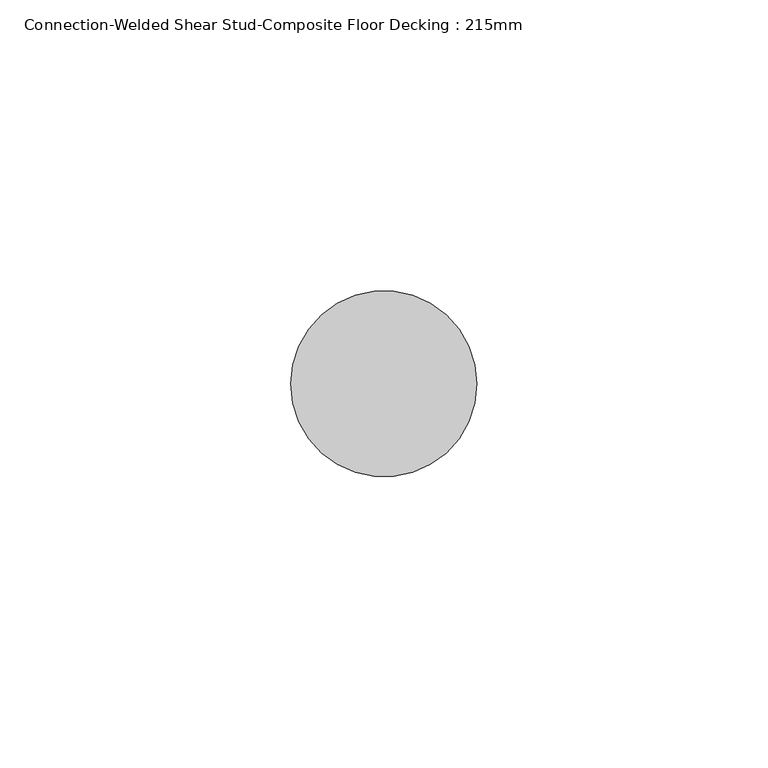
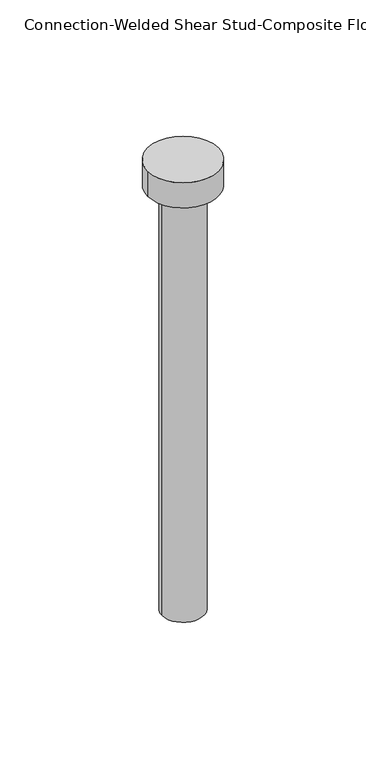
"""IFC4 building model written with IfcOpenShell, lengths in millimetres: fastener geometry, Connection-Welded Shear Stud-Composite Floor Decking : 215mm."""

from ifc_helpers import new_model, si_unit, point, frame, origin, origin_with_axes, origin_2d, place, context, project, spatial, circle_curve, trimmed, segment, composite_curve, outline, extrude, source, transform, mapped, element, save


def connection_welded_shear_stud_composite_floor_decking_215mm_3df27a10(model_context):
    return source(origin(), model_context, "Body", "SweptSolid", [
        extrude(outline(composite_curve([segment(trimmed(circle_curve(origin_2d(), 16.0), [point((16.0, 0.0))], [point((-16.0, 0.0))], False, "CARTESIAN"), True, "CONTINUOUS"), segment(trimmed(circle_curve(origin_2d(), 16.0), [point((-16.0, 0.0))], [point((16.0, 0.0))], False, "CARTESIAN"), True, "CONTINUOUS")], self_intersect=False)), frame((0.0, 0.0, 203.0), z_axis=(0.0, 0.0, 1.0), x_axis=(1.0, 0.0, 0.0)), (0.0, 0.0, 1.0), 12.0),
        extrude(outline(composite_curve([segment(trimmed(circle_curve(origin_2d(), 9.5), [point((-9.5, 0.0))], [point((9.5, 0.0))], False, "CARTESIAN"), True, "CONTINUOUS"), segment(trimmed(circle_curve(origin_2d(), 9.5), [point((9.5, 0.0))], [point((-9.5, 0.0))], False, "CARTESIAN"), True, "CONTINUOUS")], self_intersect=False)), origin_with_axes(), (0.0, 0.0, 1.0), 203.0),
    ])


if __name__ == "__main__":
    model = new_model("IFC4")
    model_context = context("Model", 3, world=origin())
    ifc_project = project(units=[si_unit("LENGTHUNIT", "METRE", prefix="MILLI")], contexts=[model_context])
    site = spatial("IfcSite", under=ifc_project)
    building = spatial("IfcBuilding", under=site)
    placement = place(None, origin())
    connection_welded_shear_stud_composite_floor_decking_215mm_shape = connection_welded_shear_stud_composite_floor_decking_215mm_3df27a10(model_context)
    element("IfcFastener", 1, ObjectType="Connection-Welded Shear Stud-Composite Floor Decking : 215mm", at=placement, inside=building, context=model_context, shape_type="MappedRepresentation", body=[
        mapped(connection_welded_shear_stud_composite_floor_decking_215mm_shape, transform((0.0, 0.0, 0.0), x_axis=(1.0, 0.0, 0.0), y_axis=(0.0, 1.0, 0.0), z_axis=(0.0, 0.0, 1.0))),
    ])
    save(model, "model.ifc")
